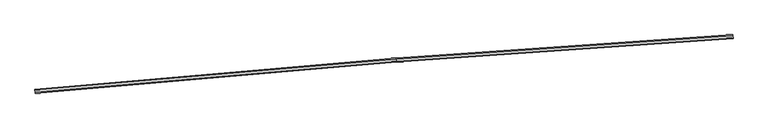
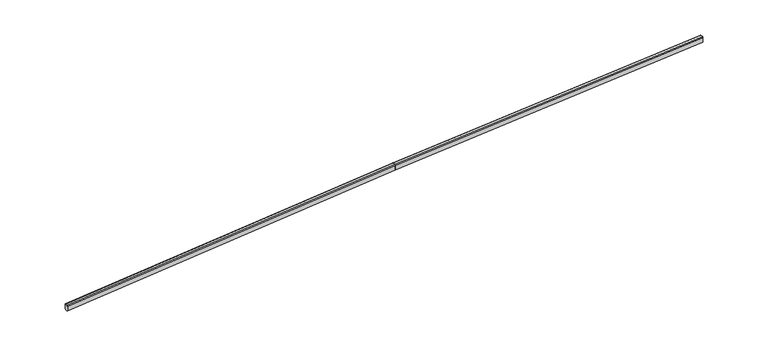
"""IFC4 building model written with IfcOpenShell, lengths in millimetres: railing geometry."""

from ifc_helpers import new_model, si_unit, frame, origin, place, context, project, spatial, ellipse_curve, source, transform, mapped, element, save
from ifc_brep_helpers import plane_surface, cylinder_surface, advanced_brep


def railing_1b6ea8a9(model_context):
    return source(origin(), model_context, "Body", "AdvancedBrep", [
        advanced_brep(
        [(81967.7011933, 4256.2407694, 14804.7295962), (81988.6281354, 3956.9715543, 14804.7295962), (81993.859871, 3882.1542505, 14729.6965589), (81993.859871, 3882.1542505, 14154.4432731), (81981.3037057, 4061.7157796, 14054.3992233), (81975.0256231, 4151.4965441, 14054.3992233), (81962.4694578, 4331.0580732, 14154.4432731), (81962.4694578, 4331.0580732, 14729.6965589), (43160.1461254, 1542.5521642, 13649.9213374), (43153.694635, 1617.2841744, 13574.8520035), (43153.694635, 1617.2841744, 12999.5987176), (43169.178212, 1437.9273499, 12899.6417798), (43176.9200005, 1348.2489376, 12899.6853357), (43192.4035774, 1168.8921132, 12999.8164973), (43192.4035774, 1168.8921132, 13575.0697832), (43185.952087, 1243.6241234, 13650.0665239)],
        [
            (0, 1),
            (1, 2, ellipse_curve(frame((81988.6281354, 3956.9715543, 14729.6965589), z_axis=(0.9975640502598243, 0.06975647374412522, 0.0), x_axis=(0.0, 0.0, 0.9999999999999999)), 75.0330373, 75.0)),
            (2, 3),
            (3, 4),
            (4, 5),
            (5, 6),
            (6, 7),
            (7, 0, ellipse_curve(frame((81967.7011933, 4256.2407694, 14729.6965589), z_axis=(0.9975640502598243, 0.06975647374412522, 0.0), x_axis=(0.0, 0.0, 0.9999999999999999)), 75.0330373, 75.0)),
            (8, 9, ellipse_curve(frame((43160.1461254, 1542.5521642, 13574.8883001), z_axis=(-0.996294408191796, -0.08600844264233001, 0.0), x_axis=(0.04139895301323189, -0.4795522872516319, 0.8765362117340828)), 75.0430082, 75.0)),
            (9, 10),
            (10, 11),
            (11, 12),
            (12, 13),
            (13, 14),
            (14, 15, ellipse_curve(frame((43185.952087, 1243.6241234, 13575.0334866), z_axis=(-0.996294408191796, -0.08600844264233001, 0.0), x_axis=(0.04139895301323189, -0.4795522872516319, 0.8765362117340828)), 75.0430082, 75.0)),
            (15, 8),
            (0, 8),
            (15, 1),
            (14, 2),
            (13, 3),
            (12, 4),
            (11, 5),
            (10, 6),
            (9, 7),
        ],
        [
            plane_surface(frame((81977.6242422, 4114.3345593, 14804.7295962), z_axis=(0.9975640502598243, 0.06975647374412522, 0.0), x_axis=(0.06975647374412522, -0.9975640502598243, 0.0))),
            plane_surface(frame((43172.3826871, 1400.8077307, 13649.9901813), z_axis=(-0.996294408191796, -0.08600844264233001, 0.0), x_axis=(0.08600844264233001, -0.996294408191796, 0.0))),
            plane_surface(frame((81967.7011933, 4256.2407694, 14804.7295962), z_axis=(-0.02959946865753316, -0.0020697964784431497, 0.9995596967653957), x_axis=(-0.9971248195817698, -0.06972575974310108, -0.029671747543251702))),
            cylinder_surface(frame((81990.8480956, 3957.126789, 14729.762619), z_axis=(0.9971248195817699, 0.06972575974310109, 0.02967174754325169), x_axis=(-0.06975647374412522, 0.9975640502598243, 0.0)), 75.0),
            plane_surface(frame((81993.859871, 3882.1542505, 14729.6965589), z_axis=(0.06975647374412519, -0.9975640502598243, 0.0), x_axis=(-0.9971248195817698, -0.06972575974310105, -0.029671747543251643))),
            plane_surface(frame((81993.859871, 3882.1542505, 14154.4432731), z_axis=(0.05975132927409506, -0.4826506017548649, -0.8737723818453211), x_axis=(-0.9971248195817698, -0.06972575974310105, -0.0296717475432517))),
            plane_surface(frame((81981.3037057, 4061.7157796, 14054.3992233), z_axis=(0.029599468657533178, 0.0020697964784431506, -0.9995596967653957), x_axis=(-0.9971248195817698, -0.06972575974310109, -0.02967174754325172))),
            plane_surface(frame((81975.0256231, 4151.4965441, 14054.3992233), z_axis=(-0.008002147481465976, 0.4862692570583045, -0.8737723818453234), x_axis=(-0.9971248195817698, -0.0697257597431011, -0.029671747543251675))),
            plane_surface(frame((81962.4694578, 4331.0580732, 14154.4432731), z_axis=(-0.06975647374412519, 0.9975640502598243, 0.0), x_axis=(-0.9971248195817698, -0.06972575974310105, -0.02967174754325167))),
            cylinder_surface(frame((81969.9211535, 4256.3960041, 14729.762619), z_axis=(0.9971248195817699, 0.06972575974310109, 0.02967174754325169), x_axis=(-0.06975647374412522, 0.9975640502598243, 0.0)), 75.0),
        ],
        [
            (0, [[1, 2, 3, 4, 5, 6, 7, 8]]),
            (1, [[9, 10, 11, 12, 13, 14, 15, 16]]),
            (2, [[-1, 17, -16, 18]]),
            (3, [[-2, -18, -15, 19]]),
            (4, [[-3, -19, -14, 20]]),
            (5, [[-4, -20, -13, 21]]),
            (6, [[-5, -21, -12, 22]]),
            (7, [[-6, -22, -11, 23]]),
            (8, [[-7, -23, -10, 24]]),
            (9, [[-8, -24, -9, -17]]),
        ],
    ),
        advanced_brep(
        [(43160.1477513, 1542.5333307, 13649.9901813), (43185.9502841, 1243.6450082, 13649.9901813), (43192.4009173, 1168.9229276, 13574.9567733), (43192.4009173, 1168.9229276, 12999.7006457), (43176.9193976, 1348.2559211, 12899.6561018), (43169.1786377, 1437.9224178, 12899.6561018), (43153.6971181, 1617.2554113, 12999.7006457), (43153.6971181, 1617.2554113, 13574.9567733), (1440.8833904, -2059.0215173, 12399.9999999), (1434.4327572, -1984.2994367, 12324.966592), (1434.4327572, -1984.2994367, 11749.7104644), (1449.9142769, -2163.6324302, 11649.6659204), (1457.6550367, -2253.2989269, 11649.6659204), (1473.1365564, -2432.6319204, 11749.7104644), (1473.1365564, -2432.6319204, 12324.966592), (1466.6859232, -2357.9098398, 12399.9999999)],
        [
            (0, 1),
            (1, 2, ellipse_curve(frame((43185.9502841, 1243.6450082, 13574.9567733), z_axis=(0.996294408191796, 0.08600844264233001, 0.0), x_axis=(0.0, 0.0, 0.9999999999999999)), 75.033408, 75.0)),
            (2, 3),
            (3, 4),
            (4, 5),
            (5, 6),
            (6, 7),
            (7, 0, ellipse_curve(frame((43160.1477513, 1542.5333307, 13574.9567733), z_axis=(0.996294408191796, 0.08600844264233001, 0.0), x_axis=(0.0, 0.0, 0.9999999999999999)), 75.033408, 75.0)),
            (8, 9, ellipse_curve(frame((1440.8833904, -2059.0215173, 12324.966592), z_axis=(-0.996294408191796, -0.08600844264233001, 0.0), x_axis=(0.0, 0.0, 0.9999999999999999)), 75.033408, 75.0)),
            (9, 10),
            (10, 11),
            (11, 12),
            (12, 13),
            (13, 14),
            (14, 15, ellipse_curve(frame((1466.6859232, -2357.9098398, 12324.966592), z_axis=(-0.996294408191796, -0.08600844264233001, 0.0), x_axis=(0.0, 0.0, 0.9999999999999999)), 75.033408, 75.0)),
            (15, 8),
            (0, 8),
            (15, 1),
            (14, 2),
            (13, 3),
            (12, 4),
            (11, 5),
            (10, 6),
            (9, 7),
        ],
        [
            plane_surface(frame((43172.3826871, 1400.8077307, 13649.9901813), z_axis=(0.996294408191796, 0.08600844264233001, 0.0), x_axis=(0.08600844264233001, -0.996294408191796, 0.0))),
            plane_surface(frame((1453.1183262, -2200.7471173, 12399.9999999), z_axis=(-0.996294408191796, -0.08600844264233001, 0.0), x_axis=(0.08600844264233001, -0.996294408191796, 0.0))),
            plane_surface(frame((43160.1477513, 1542.5333307, 13649.9901813), z_axis=(-0.029727058418430475, -0.002566287613263978, 0.9995547589630462), x_axis=(-0.9958508170363813, -0.08597014815414115, -0.029837624475262274))),
            cylinder_surface(frame((43188.1798134, 1243.8374798, 13575.0235744), z_axis=(0.9958508170363815, 0.08597014815414118, 0.029837624475262278), x_axis=(-0.08600844264233003, 0.996294408191796, 0.0)), 75.0),
            plane_surface(frame((43192.4009173, 1168.9229276, 13574.9567733), z_axis=(0.08600844264233001, -0.9962944081917959, 0.0), x_axis=(-0.9958508170363813, -0.08597014815414115, -0.029837624475262274))),
            plane_surface(frame((43192.4009173, 1168.9229276, 12999.7006457), z_axis=(0.06775551660508985, -0.4815999977213667, -0.8737680654294692), x_axis=(-0.9958508170363813, -0.08597014815414115, -0.029837624475262274))),
            plane_surface(frame((43176.9193976, 1348.2559211, 12899.6561018), z_axis=(0.029727058418430475, 0.002566287613263978, -0.9995547589630462), x_axis=(-0.9958508170363813, -0.08597014815414115, -0.029837624475262274))),
            plane_surface(frame((43169.1786377, 1437.9224178, 12899.6561018), z_axis=(-0.015783267776766648, 0.4860866757008731, -0.8737680654294715), x_axis=(-0.9958508170363813, -0.08597014815414115, -0.029837624475262274))),
            plane_surface(frame((43153.6971181, 1617.2554113, 12999.7006457), z_axis=(-0.08600844264233001, 0.9962944081917959, 0.0), x_axis=(-0.9958508170363813, -0.08597014815414115, -0.029837624475262274))),
            cylinder_surface(frame((43162.3772807, 1542.7258023, 13575.0235744), z_axis=(0.9958508170363815, 0.08597014815414118, 0.029837624475262278), x_axis=(-0.08600844264233003, 0.996294408191796, 0.0)), 75.0),
        ],
        [
            (0, [[1, 2, 3, 4, 5, 6, 7, 8]]),
            (1, [[9, 10, 11, 12, 13, 14, 15, 16]]),
            (2, [[-1, 17, -16, 18]]),
            (3, [[-2, -18, -15, 19]]),
            (4, [[-3, -19, -14, 20]]),
            (5, [[-4, -20, -13, 21]]),
            (6, [[-5, -21, -12, 22]]),
            (7, [[-6, -22, -11, 23]]),
            (8, [[-7, -23, -10, 24]]),
            (9, [[-8, -24, -9, -17]]),
        ],
    ),
    ])


if __name__ == "__main__":
    model = new_model("IFC4")
    model_context = context("Model", 3, world=origin())
    ifc_project = project(units=[si_unit("LENGTHUNIT", "METRE", prefix="MILLI")], contexts=[model_context])
    site = spatial("IfcSite", under=ifc_project)
    building = spatial("IfcBuilding", under=site)
    placement = place(None, origin())
    railing_shape = railing_1b6ea8a9(model_context)
    element("IfcRailing", 1, at=placement, inside=building, context=model_context, shape_type="MappedRepresentation", body=[
        mapped(railing_shape, transform((0.0, 0.0, 0.0), x_axis=(1.0, 0.0, 0.0), y_axis=(0.0, 1.0, 0.0), z_axis=(0.0, 0.0, 1.0))),
    ])
    save(model, "model.ifc")
